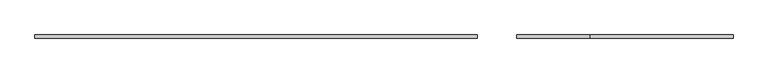
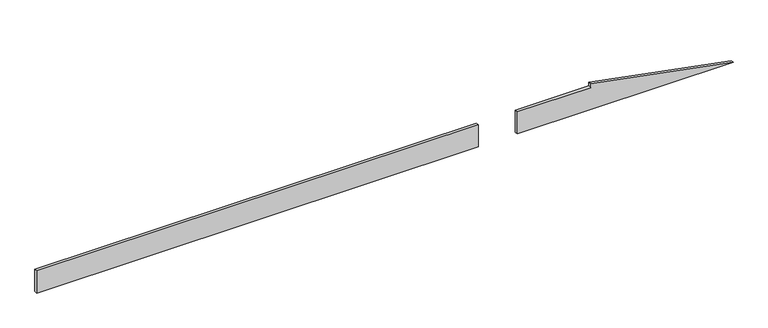
"""IFC4 building model written with IfcOpenShell, lengths in millimetres: plate geometry."""

from ifc_helpers import new_model, si_unit, frame, origin, origin_with_axes, place, context, project, spatial, polyline, outline, extrude, source, transform, mapped, element, save


def plate_38d0e7f9(model_context):
    return source(origin(), model_context, "Body", "SweptSolid", [
        extrude(outline(polyline([(598.7471482, 20.0), (-2237.8905492, 20.0), (-2237.8905492, 40.0), (598.7471482, 40.0), (598.7471482, 20.0)])), origin_with_axes(), (0.0, 0.0, 1.0), 150.0),
        extrude(outline(polyline([(0.0, 850.8346245), (0.0, 2237.8905492), (175.0, 1323.117822), (150.0, 1323.117822), (150.0, 850.8346245), (0.0, 850.8346245)])), frame((0.0, 20.0, 0.0), z_axis=(0.0, 1.0, 0.0), x_axis=(0.0, 0.0, 1.0)), (0.0, 0.0, 1.0), 20.0),
    ])


if __name__ == "__main__":
    model = new_model("IFC4")
    model_context = context("Model", 3, world=origin())
    ifc_project = project(units=[si_unit("LENGTHUNIT", "METRE", prefix="MILLI")], contexts=[model_context])
    site = spatial("IfcSite", under=ifc_project)
    building = spatial("IfcBuilding", under=site)
    placement = place(None, origin())
    plate_shape = plate_38d0e7f9(model_context)
    element("IfcPlate", 1, at=placement, inside=building, context=model_context, shape_type="MappedRepresentation", body=[
        mapped(plate_shape, transform((0.0, 0.0, 0.0), x_axis=(1.0, 0.0, 0.0), y_axis=(0.0, 1.0, 0.0), z_axis=(0.0, 0.0, 1.0))),
    ])
    save(model, "model.ifc")
